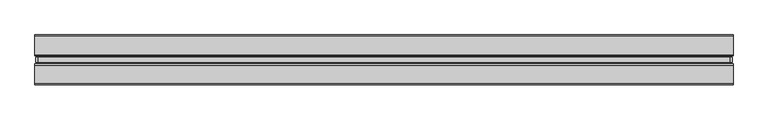
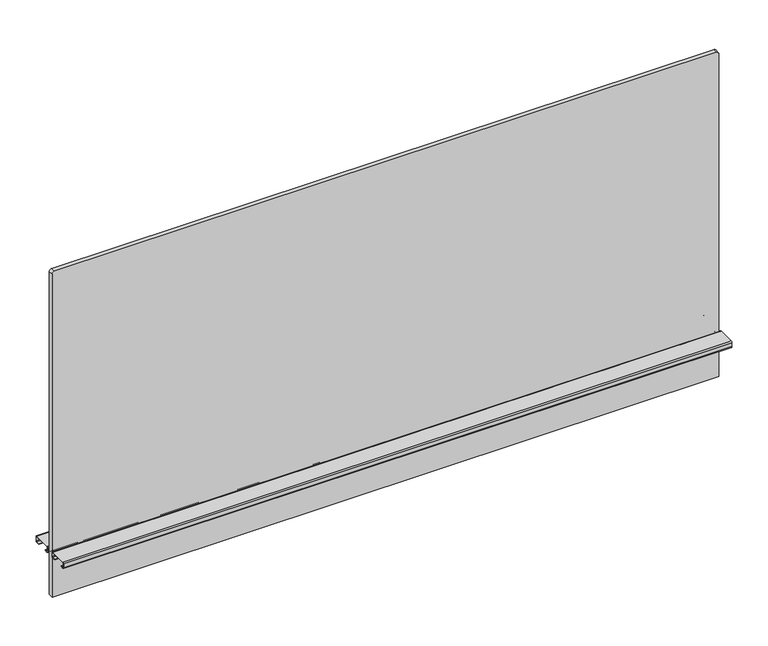
"""IFC4 building model written with IfcOpenShell, lengths in millimetres: furniture geometry."""

from ifc_helpers import new_model, si_unit, point, frame, frame_2d, origin, place, context, project, spatial, polyline, circle_curve, trimmed, segment, composite_curve, outline, extrude, source, transform, mapped, element, save


def furniture_fdbaef60(model_context):
    return source(origin(), model_context, "Body", "SweptSolid", [
        extrude(outline(composite_curve([segment(polyline([(1239.367613, 528.32), (1239.367613, -528.32)]), True, "CONTINUOUS"), segment(trimmed(circle_curve(frame_2d((1235.557613, -528.32)), 3.81), [point((1239.367613, -528.32))], [point((1235.557613, -532.13))], False, "CARTESIAN"), True, "CONTINUOUS"), segment(polyline([(1235.557613, -532.13), (689.965613, -532.13), (689.965613, 532.13), (1235.557613, 532.13)]), True, "CONTINUOUS"), segment(trimmed(circle_curve(frame_2d((1235.557613, 528.32)), 3.81), [point((1235.557613, 532.13))], [point((1239.367613, 528.32))], False, "CARTESIAN"), True, "CONTINUOUS")], self_intersect=False)), frame((0.0, -3.683001, 0.0), z_axis=(0.0, 1.0, 0.0), x_axis=(0.0, 0.0, 1.0)), (0.0, 0.0, 1.0), 7.3660021),
        extrude(outline(composite_curve([segment(polyline([(8.1724496, 769.2644064), (36.0679996, 769.2644064)]), True, "CONTINUOUS"), segment(trimmed(circle_curve(frame_2d((36.0679996, 767.2324064)), 2.032), [point((36.0679996, 769.2644064))], [point((38.0999996, 767.2324064))], False, "CARTESIAN"), True, "CONTINUOUS"), segment(polyline([(38.0999996, 767.2324064), (38.0999996, 761.1364161)]), True, "CONTINUOUS"), segment(trimmed(circle_curve(frame_2d((36.0679996, 761.1364161)), 2.032), [point((38.0999996, 761.1364161))], [point((36.0679996, 759.1044161))], False, "CARTESIAN"), True, "CONTINUOUS"), segment(polyline([(36.0679996, 759.1044161), (30.7784504, 759.1044161), (30.7784504, 760.0187498), (36.1695996, 760.0187498)]), True, "CONTINUOUS"), segment(trimmed(circle_curve(frame_2d((36.1695996, 761.0347498)), 1.016), [point((36.1695996, 760.0187498))], [point((37.1855996, 761.0347498))], True, "CARTESIAN"), True, "CONTINUOUS"), segment(polyline([(37.1855996, 761.0347498), (37.1855996, 767.334)]), True, "CONTINUOUS"), segment(trimmed(circle_curve(frame_2d((36.1695996, 767.334)), 1.016), [point((37.1855996, 767.334))], [point((36.1695996, 768.35))], True, "CARTESIAN"), True, "CONTINUOUS"), segment(polyline([(36.1695996, 768.35), (8.0708496, 768.35)]), True, "CONTINUOUS"), segment(trimmed(circle_curve(frame_2d((8.0708496, 767.334)), 1.016), [point((8.0708496, 768.35))], [point((7.0548496, 767.334))], True, "CARTESIAN"), True, "CONTINUOUS"), segment(polyline([(7.0548496, 767.334), (7.0548496, 761.0347498)]), True, "CONTINUOUS"), segment(trimmed(circle_curve(frame_2d((8.0708496, 761.0347498)), 1.016), [point((7.0548496, 761.0347498))], [point((8.0708496, 760.0187498))], True, "CARTESIAN"), True, "CONTINUOUS"), segment(polyline([(8.0708496, 760.0187498), (13.4619988, 760.0187498), (13.4619988, 759.1044161), (8.1724496, 759.1044161)]), True, "CONTINUOUS"), segment(trimmed(circle_curve(frame_2d((8.1724496, 761.1364161)), 2.032), [point((8.1724496, 759.1044161))], [point((6.1404496, 761.1364161))], False, "CARTESIAN"), True, "CONTINUOUS"), segment(polyline([(6.1404496, 761.1364161), (6.1404496, 767.2324064)]), True, "CONTINUOUS"), segment(trimmed(circle_curve(frame_2d((8.1724496, 767.2324064)), 2.032), [point((6.1404496, 767.2324064))], [point((8.1724496, 769.2644064))], False, "CARTESIAN"), True, "CONTINUOUS")], self_intersect=False)), frame((-533.4, 0.0, 0.0), z_axis=(1.0, 0.0, 0.0), x_axis=(0.0, 1.0, 0.0)), (0.0, 0.0, 1.0), 1066.8),
        extrude(outline(composite_curve([segment(trimmed(circle_curve(frame_2d((-8.1724496, 767.2324064)), 2.032), [point((-8.1724496, 769.2644064))], [point((-6.1404496, 767.2324064))], False, "CARTESIAN"), True, "CONTINUOUS"), segment(polyline([(-6.1404496, 767.2324064), (-6.1404496, 761.1364161)]), True, "CONTINUOUS"), segment(trimmed(circle_curve(frame_2d((-8.1724496, 761.1364161)), 2.032), [point((-6.1404496, 761.1364161))], [point((-8.1724496, 759.1044161))], False, "CARTESIAN"), True, "CONTINUOUS"), segment(polyline([(-8.1724496, 759.1044161), (-13.4619988, 759.1044161), (-13.4619988, 760.0187498), (-8.0708496, 760.0187498)]), True, "CONTINUOUS"), segment(trimmed(circle_curve(frame_2d((-8.0708496, 761.0347498)), 1.016), [point((-8.0708496, 760.0187498))], [point((-7.0548496, 761.0347498))], True, "CARTESIAN"), True, "CONTINUOUS"), segment(polyline([(-7.0548496, 761.0347498), (-7.0548496, 767.334)]), True, "CONTINUOUS"), segment(trimmed(circle_curve(frame_2d((-8.0708496, 767.334)), 1.016), [point((-7.0548496, 767.334))], [point((-8.0708496, 768.35))], True, "CARTESIAN"), True, "CONTINUOUS"), segment(polyline([(-8.0708496, 768.35), (-36.1695996, 768.35)]), True, "CONTINUOUS"), segment(trimmed(circle_curve(frame_2d((-36.1695996, 767.334)), 1.016), [point((-36.1695996, 768.35))], [point((-37.1855996, 767.334))], True, "CARTESIAN"), True, "CONTINUOUS"), segment(polyline([(-37.1855996, 767.334), (-37.1855996, 761.0347498)]), True, "CONTINUOUS"), segment(trimmed(circle_curve(frame_2d((-36.1695996, 761.0347498)), 1.016), [point((-37.1855996, 761.0347498))], [point((-36.1695996, 760.0187498))], True, "CARTESIAN"), True, "CONTINUOUS"), segment(polyline([(-36.1695996, 760.0187498), (-30.7784504, 760.0187498), (-30.7784504, 759.1044161), (-36.0679996, 759.1044161)]), True, "CONTINUOUS"), segment(trimmed(circle_curve(frame_2d((-36.0679996, 761.1364161)), 2.032), [point((-36.0679996, 759.1044161))], [point((-38.0999996, 761.1364161))], False, "CARTESIAN"), True, "CONTINUOUS"), segment(polyline([(-38.0999996, 761.1364161), (-38.0999996, 767.2324064)]), True, "CONTINUOUS"), segment(trimmed(circle_curve(frame_2d((-36.0679996, 767.2324064)), 2.032), [point((-38.0999996, 767.2324064))], [point((-36.0679996, 769.2644064))], False, "CARTESIAN"), True, "CONTINUOUS"), segment(polyline([(-36.0679996, 769.2644064), (-8.1724496, 769.2644064)]), True, "CONTINUOUS")], self_intersect=False)), frame((-533.4, 0.0, 0.0), z_axis=(1.0, 0.0, 0.0), x_axis=(0.0, 1.0, 0.0)), (0.0, 0.0, 1.0), 1066.8),
    ])


if __name__ == "__main__":
    model = new_model("IFC4")
    model_context = context("Model", 3, world=origin())
    ifc_project = project(units=[si_unit("LENGTHUNIT", "METRE", prefix="MILLI")], contexts=[model_context])
    site = spatial("IfcSite", under=ifc_project)
    building = spatial("IfcBuilding", under=site)
    placement = place(None, origin())
    furniture_shape = furniture_fdbaef60(model_context)
    element("IfcFurniture", 1, at=placement, inside=building, context=model_context, shape_type="MappedRepresentation", body=[
        mapped(furniture_shape, transform((0.0, 0.0, 0.0), x_axis=(1.0, 0.0, 0.0), y_axis=(0.0, 1.0, 0.0), z_axis=(0.0, 0.0, 1.0))),
    ])
    save(model, "model.ifc")
